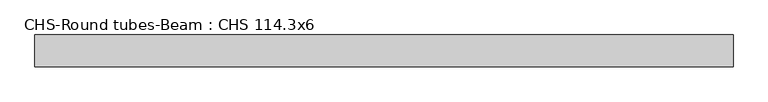
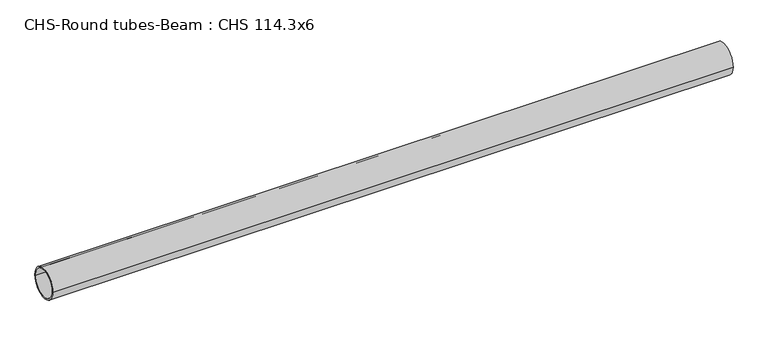
"""IFC4 building model written with IfcOpenShell, lengths in millimetres: beam geometry, CHS-Round tubes-Beam : CHS 114.3x6."""

from ifc_helpers import new_model, si_unit, point, frame, origin, origin_2d, place, context, project, spatial, circle_curve, trimmed, segment, composite_curve, outline, extrude, source, transform, mapped, element, save


def chs_round_tubes_beam_chs_114_3x6_b5b1967a(model_context):
    return source(origin(), model_context, "Body", "SweptSolid", [
        extrude(outline(composite_curve([segment(trimmed(circle_curve(origin_2d(), 57.15), [point((57.15, 0.0))], [point((-57.15, 0.0))], False, "CARTESIAN"), True, "CONTINUOUS"), segment(trimmed(circle_curve(origin_2d(), 57.15), [point((-57.15, 0.0))], [point((57.15, 0.0))], False, "CARTESIAN"), True, "CONTINUOUS")], self_intersect=False), holes=[composite_curve([segment(trimmed(circle_curve(origin_2d(), 51.15), [point((51.15, 0.0))], [point((-51.15, 0.0))], True, "CARTESIAN"), True, "CONTINUOUS"), segment(trimmed(circle_curve(origin_2d(), 51.15), [point((-51.15, 0.0))], [point((51.15, 0.0))], True, "CARTESIAN"), True, "CONTINUOUS")], self_intersect=False)]), frame((-1225.6861665, 0.0, 0.0), z_axis=(1.0, 0.0, 0.0), x_axis=(0.0, 1.0, 0.0)), (0.0, 0.0, 1.0), 2519.034596),
    ])


if __name__ == "__main__":
    model = new_model("IFC4")
    model_context = context("Model", 3, world=origin())
    ifc_project = project(units=[si_unit("LENGTHUNIT", "METRE", prefix="MILLI")], contexts=[model_context])
    site = spatial("IfcSite", under=ifc_project)
    building = spatial("IfcBuilding", under=site)
    placement = place(None, origin())
    chs_round_tubes_beam_chs_114_3x6_shape = chs_round_tubes_beam_chs_114_3x6_b5b1967a(model_context)
    element("IfcBeam", 1, ObjectType="CHS-Round tubes-Beam : CHS 114.3x6", at=placement, inside=building, context=model_context, shape_type="MappedRepresentation", body=[
        mapped(chs_round_tubes_beam_chs_114_3x6_shape, transform((0.0, 0.0, 0.0), x_axis=(1.0, 0.0, 0.0), y_axis=(0.0, 1.0, 0.0), z_axis=(0.0, 0.0, 1.0))),
    ])
    save(model, "model.ifc")
